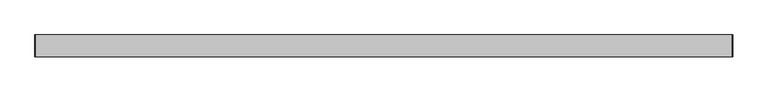
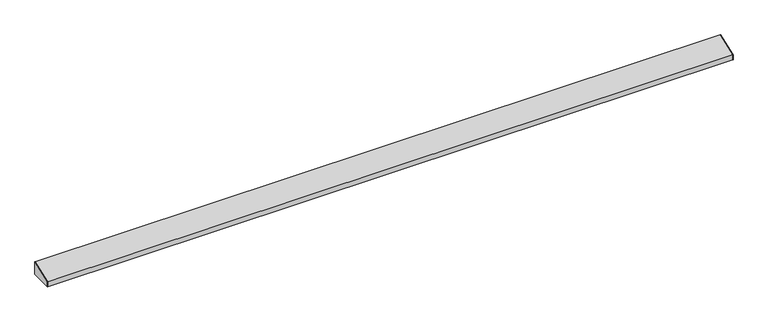
"""IFC4 building model written with IfcOpenShell, lengths in millimetres: furniture geometry."""

from ifc_helpers import new_model, si_unit, frame, origin, place, context, project, spatial, polyline, outline, extrude, source, transform, mapped, element, save


def furniture_39a3a26f(model_context):
    return source(origin(), model_context, "Body", "SweptSolid", [
        extrude(outline(polyline([(-97.4564662, 2121.3261966), (-21.2564662, 2148.5825075), (-21.2564662, 2102.5450075), (-97.4564663, 2102.5450075), (-97.4564662, 2121.3261966)])), frame((1223.6502049, 0.0, 0.0), z_axis=(1.0, 0.0, 0.0), x_axis=(0.0, 1.0, 0.0)), (0.0, 0.0, 1.0), 0.79375),
        extrude(outline(polyline([(-21.2564662, 2102.5450075), (-97.4564662, 2102.5450075), (-97.4564662, 2121.3261966), (-21.2564662, 2148.5825075), (-21.2564662, 2102.5450075)])), frame((-1186.9685451, 0.0, 0.0), z_axis=(1.0, 0.0, 0.0), x_axis=(0.0, 1.0, 0.0)), (0.0, 0.0, 1.0), 0.79375),
        extrude(outline(polyline([(-21.2564662, 2102.5450075), (-33.9564662, 2102.5450075), (-33.9564662, 2103.3387575), (-22.0502162, 2103.3387575), (-22.0502162, 2147.4998561), (-96.6627162, 2120.821348), (-96.6627162, 2103.3387575), (-84.7564662, 2103.3387575), (-84.7564662, 2102.5450075), (-97.4564662, 2102.5450075), (-97.4564662, 2121.3261966), (-21.2564662, 2148.5825075), (-21.2564662, 2102.5450075)])), frame((-1186.1747951, 0.0, 0.0), z_axis=(1.0, 0.0, 0.0), x_axis=(0.0, 1.0, 0.0)), (0.0, 0.0, 1.0), 2409.825),
    ])


if __name__ == "__main__":
    model = new_model("IFC4")
    model_context = context("Model", 3, world=origin())
    ifc_project = project(units=[si_unit("LENGTHUNIT", "METRE", prefix="MILLI")], contexts=[model_context])
    site = spatial("IfcSite", under=ifc_project)
    building = spatial("IfcBuilding", under=site)
    placement = place(None, origin())
    furniture_shape = furniture_39a3a26f(model_context)
    element("IfcFurniture", 1, at=placement, inside=building, context=model_context, shape_type="MappedRepresentation", body=[
        mapped(furniture_shape, transform((0.0, 0.0, 0.0), x_axis=(1.0, 0.0, 0.0), y_axis=(0.0, 1.0, 0.0), z_axis=(0.0, 0.0, 1.0))),
    ])
    save(model, "model.ifc")
